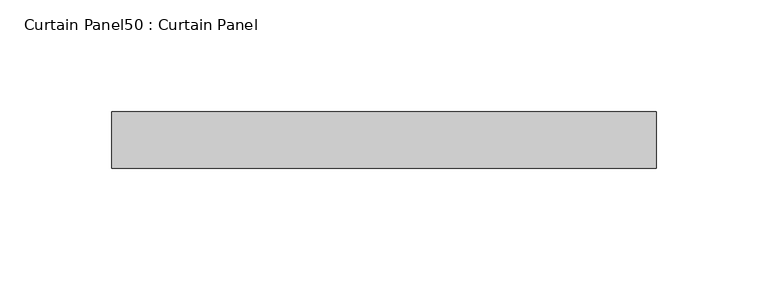
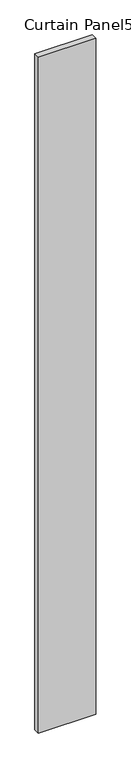
"""IFC4 building model written with IfcOpenShell, lengths in millimetres: plate geometry, Curtain Panel50 : Curtain Panel."""

from ifc_helpers import new_model, si_unit, origin, origin_with_axes, place, context, project, spatial, polyline, outline, extrude, source, transform, mapped, element, save


def curtain_panel50_curtain_panel_d27baf2f(model_context):
    return source(origin(), model_context, "Body", "SweptSolid", [
        extrude(outline(polyline([(-351305.8069865, 3449.4244549), (-351550.0649983, 3449.4244549), (-351550.0649983, 3474.8244549), (-351305.8069865, 3474.8244549), (-351305.8069865, 3449.4244549)])), origin_with_axes(), (0.0, 0.0, 1.0), 3048.0),
    ])


if __name__ == "__main__":
    model = new_model("IFC4")
    model_context = context("Model", 3, world=origin())
    ifc_project = project(units=[si_unit("LENGTHUNIT", "METRE", prefix="MILLI")], contexts=[model_context])
    site = spatial("IfcSite", under=ifc_project)
    building = spatial("IfcBuilding", under=site)
    placement = place(None, origin())
    curtain_panel50_curtain_panel_shape = curtain_panel50_curtain_panel_d27baf2f(model_context)
    element("IfcPlate", 1, ObjectType="Curtain Panel50 : Curtain Panel", at=placement, inside=building, context=model_context, shape_type="MappedRepresentation", body=[
        mapped(curtain_panel50_curtain_panel_shape, transform((0.0, 0.0, 0.0), x_axis=(1.0, 0.0, 0.0), y_axis=(0.0, 1.0, 0.0), z_axis=(0.0, 0.0, 1.0))),
    ])
    save(model, "model.ifc")
